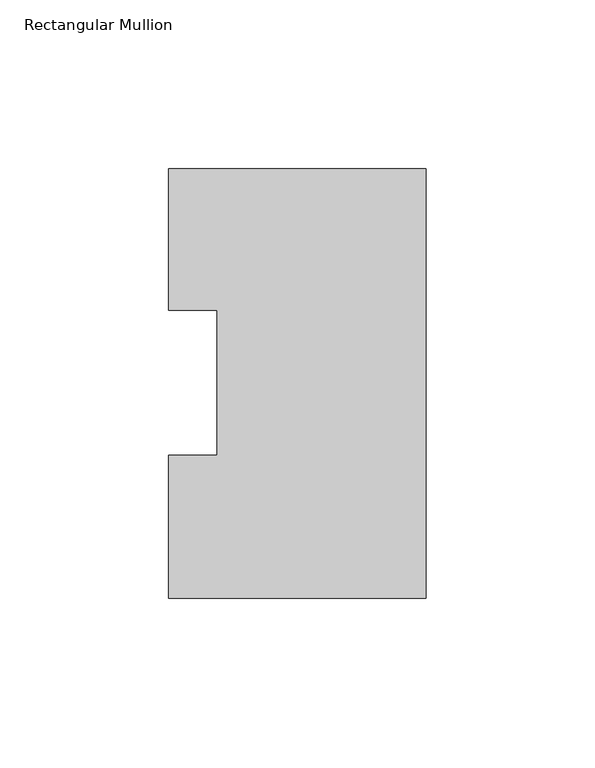
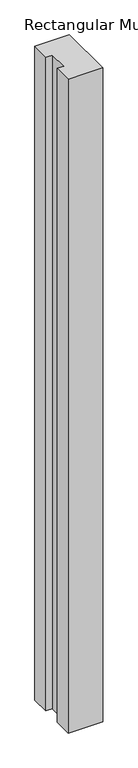
"""IFC4 building model written with IfcOpenShell, lengths in millimetres: member geometry, Rectangular Mullion."""

import ifcopenshell
import ifcopenshell.guid

model = None  # the IFC model being written
_history = None  # IfcOwnerHistory: only IFC2X3 demands one
_inside = {}  # id of a spatial element -> (the spatial element, [elements in it])
_under = {}  # id of a project, library or spatial element -> (it, [spatial elements below it])
_declared = {}  # id of a project -> (the project, [libraries it declares])
_typed = {}  # id of a type object -> (the type object, [elements of that type])
_made_of = {}  # id of a material, layer set ... -> (it, [elements and type objects made of it])


def new_model(schema):
    """Start an empty IFC model of exactly this schema.

    Asked for "IFC4X3", IfcOpenShell would pick the latest addendum, in which some entities
    have other attributes; the version numbers below select the first issue.
    IFC2X3 requires an IfcOwnerHistory on every rooted entity: one is made here for all.
    """
    global model, _history
    if schema == "IFC4X3":
        model = ifcopenshell.file(schema_version=(4, 3, 0, 0))
    else:
        model = ifcopenshell.file(schema=schema)
    _inside.clear()
    _under.clear()
    _declared.clear()
    _typed.clear()
    _made_of.clear()
    _history = None
    if model.schema == "IFC2X3":
        org = make("IfcOrganization", Name="unknown")
        user = make(
            "IfcPersonAndOrganization",
            ThePerson=make("IfcPerson", FamilyName="unknown"),
            TheOrganization=org,
        )
        app = make(
            "IfcApplication",
            ApplicationDeveloper=org,
            Version="unknown",
            ApplicationFullName="unknown",
            ApplicationIdentifier="unknown",
        )
        _history = make(
            "IfcOwnerHistory",
            OwningUser=user,
            OwningApplication=app,
            ChangeAction="ADDED",
            CreationDate=0,
        )
    return model


def make(cls, **values):
    """One entity of the class cls with the attributes given. An attribute that is None is left unset."""
    return model.create_entity(
        cls, **{name: value for name, value in values.items() if value is not None}
    )


def rooted(cls, **values):
    """An entity with a GlobalId (a new one), such as an element, a storey or a relation."""
    return make(cls, GlobalId=ifcopenshell.guid.new(), OwnerHistory=_history, **values)


def si_unit(unit_type, name, prefix=None):
    """IfcSIUnit, for example si_unit("LENGTHUNIT", "METRE", prefix="MILLI")."""
    return make("IfcSIUnit", UnitType=unit_type, Prefix=prefix, Name=name)


def assignment(units):
    """IfcUnitAssignment: the units of a project."""
    return None if units is None else make("IfcUnitAssignment", Units=units)


def point(xyz):
    """IfcCartesianPoint."""
    return None if xyz is None else make("IfcCartesianPoint", Coordinates=xyz)


def direction(xyz):
    """IfcDirection."""
    return None if xyz is None else make("IfcDirection", DirectionRatios=xyz)


def frame(location, z_axis=None, x_axis=None):
    """IfcAxis2Placement3D, a coordinate frame: its origin and axes. An axis left out is left unset."""
    return make(
        "IfcAxis2Placement3D",
        Location=point(location),
        Axis=direction(z_axis),
        RefDirection=direction(x_axis),
    )


def origin():
    """The frame at (0, 0, 0) with its axes left unset."""
    return frame((0.0, 0.0, 0.0))


def place(relative_to, where):
    """IfcLocalPlacement: puts the frame where relative to a parent placement (None: the world)."""
    return make(
        "IfcLocalPlacement", PlacementRelTo=relative_to, RelativePlacement=where
    )


def context(
    kind, dimensions, precision=None, world=None, true_north=None, identifier=None
):
    """IfcGeometricRepresentationContext, for example the 3D "Model" context."""
    return make(
        "IfcGeometricRepresentationContext",
        ContextIdentifier=identifier,
        ContextType=kind,
        CoordinateSpaceDimension=dimensions,
        Precision=precision,
        WorldCoordinateSystem=world,
        TrueNorth=true_north,
    )


def project(units=None, contexts=None):
    """IfcProject with its units and contexts."""
    return rooted(
        "IfcProject",
        Name="project",
        RepresentationContexts=contexts,
        UnitsInContext=assignment(units),
    )


def spatial(cls, under=None, at=None, **own):
    """A site, building, storey or space (cls), placed at a placement, below another one or the project."""
    s = rooted(cls, ObjectPlacement=at, **own)
    if under is not None:
        _under.setdefault(under.id(), (under, []))[1].append(s)
    return s


def polyline(points):
    """IfcPolyline through the points."""
    return make("IfcPolyline", Points=[point(p) for p in points])


def outline(outer, holes=None, kind="AREA"):
    """IfcArbitraryClosedProfileDef: a profile drawn as a closed curve; with holes, ...WithVoids."""
    if holes is None:
        return make("IfcArbitraryClosedProfileDef", ProfileType=kind, OuterCurve=outer)
    return make(
        "IfcArbitraryProfileDefWithVoids",
        ProfileType=kind,
        OuterCurve=outer,
        InnerCurves=holes,
    )


def extrude(swept, where, along, depth):
    """IfcExtrudedAreaSolid: the profile swept, set in the frame where, extruded along a direction by depth."""
    return make(
        "IfcExtrudedAreaSolid",
        SweptArea=swept,
        Position=where,
        ExtrudedDirection=direction(along),
        Depth=depth,
    )


def shape(context_of_items, identifier, shape_type, items):
    """IfcShapeRepresentation: the items that make up one representation, for example the "Body"."""
    return make(
        "IfcShapeRepresentation",
        ContextOfItems=context_of_items,
        RepresentationIdentifier=identifier,
        RepresentationType=shape_type,
        Items=items,
    )


def source(mapping_origin, context_of_items, identifier, shape_type, items):
    """IfcRepresentationMap: a shape defined once, which mapped items show again and again."""
    return make(
        "IfcRepresentationMap",
        MappingOrigin=mapping_origin,
        MappedRepresentation=shape(context_of_items, identifier, shape_type, items),
    )


def transform(
    local_origin,
    x_axis=None,
    y_axis=None,
    z_axis=None,
    scale=None,
    scale2=None,
    scale3=None,
    uniform=True,
):
    """IfcCartesianTransformationOperator3D, or its non-uniform kind. x_axis, y_axis, z_axis: its Axis1, 2, 3."""
    if uniform:
        return make(
            "IfcCartesianTransformationOperator3D",
            Axis1=direction(x_axis),
            Axis2=direction(y_axis),
            LocalOrigin=point(local_origin),
            Scale=scale,
            Axis3=direction(z_axis),
        )
    return make(
        "IfcCartesianTransformationOperator3DnonUniform",
        Axis1=direction(x_axis),
        Axis2=direction(y_axis),
        LocalOrigin=point(local_origin),
        Scale=scale,
        Axis3=direction(z_axis),
        Scale2=scale2,
        Scale3=scale3,
    )


def mapped(mapping_source, mapping_target):
    """IfcMappedItem: shows the shape of a source again, moved by a transform."""
    return make(
        "IfcMappedItem", MappingSource=mapping_source, MappingTarget=mapping_target
    )


def made_of(thing, what):
    """Note that an element or type object is made of a material, layer set ...; save() writes the relation."""
    if what is not None:
        _made_of.setdefault(what.id(), (what, []))[1].append(thing)
    return thing


def element(
    cls,
    number,
    at=None,
    inside=None,
    cuts=None,
    type_object=None,
    material=None,
    context=None,
    identifier="Body",
    shape_type=None,
    held_by="IfcProductDefinitionShape",
    body=None,
    shapes=None,
    **own,
):
    """One element of the class cls, such as IfcWall. Its Tag is "e" and its number.

    at: its placement. inside: the storey or other place that contains it. cuts: it is an
    opening in that element (IfcRelVoidsElement). A single representation is given by context,
    identifier, shape_type and body (its items); several are given by shapes. held_by: the class
    of the entity that holds the representations. save() writes the other relations.
    """
    e = rooted(cls, Tag="e%d" % number, ObjectPlacement=at, **own)
    if body is not None:
        shapes = [shape(context, identifier, shape_type, body)]
    if shapes is not None:
        e.Representation = make(held_by, Representations=shapes)
    if inside is not None:
        _inside.setdefault(inside.id(), (inside, []))[1].append(e)
    if cuts is not None:
        rooted(
            "IfcRelVoidsElement", RelatingBuildingElement=cuts, RelatedOpeningElement=e
        )
    if type_object is not None:
        _typed.setdefault(type_object.id(), (type_object, []))[1].append(e)
    return made_of(e, material)


def aggregate(whole, parts):
    """IfcRelAggregates: a whole, such as a stair, and the parts it consists of."""
    return rooted("IfcRelAggregates", RelatingObject=whole, RelatedObjects=parts)


def save(model, path):
    """Write the relations noted so far, then the file.

    IfcRelAggregates (storeys below a building ...), IfcRelContainedInSpatialStructure (elements
    in a storey), IfcRelDefinesByType, IfcRelAssociatesMaterial and IfcRelDeclares: one each for
    every whole, place, type object, material and project.
    """
    for whole, parts in _under.values():
        aggregate(whole, parts)
    for where, things in _inside.values():
        rooted(
            "IfcRelContainedInSpatialStructure",
            RelatedElements=things,
            RelatingStructure=where,
        )
    for kind, things in _typed.values():
        rooted("IfcRelDefinesByType", RelatedObjects=things, RelatingType=kind)
    for what, things in _made_of.values():
        rooted("IfcRelAssociatesMaterial", RelatedObjects=things, RelatingMaterial=what)
    for by, libraries in _declared.values():
        rooted("IfcRelDeclares", RelatingContext=by, RelatedDefinitions=libraries)
    model.write(path)


def rectangular_mullion_e35995ea(model_context):
    return source(origin(), model_context, "Body", "SweptSolid", [
        extrude(outline(polyline([(0.0, 126.9888875), (0.0, -0.0111125), (-76.2, -0.0111125), (-76.2, 42.2798875), (-61.9125, 42.2798875), (-61.9125, 85.1296875), (-76.2, 85.1296875), (-76.2, 126.9888875), (0.0, 126.9888875)])), frame((0.0, 0.0, -1524.0), z_axis=(0.0, 0.0, 1.0), x_axis=(1.0, 0.0, 0.0)), (0.0, 0.0, 1.0), 1524.0),
    ])


if __name__ == "__main__":
    model = new_model("IFC4")
    model_context = context("Model", 3, world=origin())
    ifc_project = project(units=[si_unit("LENGTHUNIT", "METRE", prefix="MILLI")], contexts=[model_context])
    site = spatial("IfcSite", under=ifc_project)
    building = spatial("IfcBuilding", under=site)
    placement = place(None, origin())
    rectangular_mullion_shape = rectangular_mullion_e35995ea(model_context)
    element("IfcMember", 1, ObjectType="Rectangular Mullion", at=placement, inside=building, context=model_context, shape_type="MappedRepresentation", body=[
        mapped(rectangular_mullion_shape, transform((0.0, 0.0, 0.0), x_axis=(1.0, 0.0, 0.0), y_axis=(0.0, 1.0, 0.0), z_axis=(0.0, 0.0, 1.0))),
    ])
    save(model, "model.ifc")
